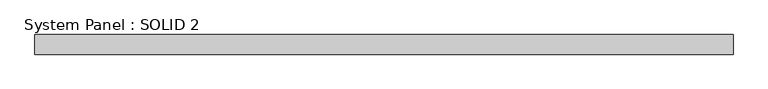
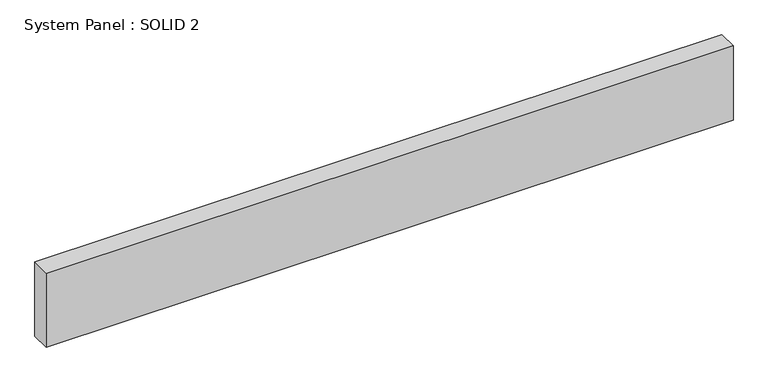
"""IFC4 building model written with IfcOpenShell, lengths in millimetres: plate geometry, System Panel : SOLID 2."""

import ifcopenshell
import ifcopenshell.guid

model = None  # the IFC model being written
_history = None  # IfcOwnerHistory: only IFC2X3 demands one
_inside = {}  # id of a spatial element -> (the spatial element, [elements in it])
_under = {}  # id of a project, library or spatial element -> (it, [spatial elements below it])
_declared = {}  # id of a project -> (the project, [libraries it declares])
_typed = {}  # id of a type object -> (the type object, [elements of that type])
_made_of = {}  # id of a material, layer set ... -> (it, [elements and type objects made of it])


def new_model(schema):
    """Start an empty IFC model of exactly this schema.

    Asked for "IFC4X3", IfcOpenShell would pick the latest addendum, in which some entities
    have other attributes; the version numbers below select the first issue.
    IFC2X3 requires an IfcOwnerHistory on every rooted entity: one is made here for all.
    """
    global model, _history
    if schema == "IFC4X3":
        model = ifcopenshell.file(schema_version=(4, 3, 0, 0))
    else:
        model = ifcopenshell.file(schema=schema)
    _inside.clear()
    _under.clear()
    _declared.clear()
    _typed.clear()
    _made_of.clear()
    _history = None
    if model.schema == "IFC2X3":
        org = make("IfcOrganization", Name="unknown")
        user = make(
            "IfcPersonAndOrganization",
            ThePerson=make("IfcPerson", FamilyName="unknown"),
            TheOrganization=org,
        )
        app = make(
            "IfcApplication",
            ApplicationDeveloper=org,
            Version="unknown",
            ApplicationFullName="unknown",
            ApplicationIdentifier="unknown",
        )
        _history = make(
            "IfcOwnerHistory",
            OwningUser=user,
            OwningApplication=app,
            ChangeAction="ADDED",
            CreationDate=0,
        )
    return model


def make(cls, **values):
    """One entity of the class cls with the attributes given. An attribute that is None is left unset."""
    return model.create_entity(
        cls, **{name: value for name, value in values.items() if value is not None}
    )


def rooted(cls, **values):
    """An entity with a GlobalId (a new one), such as an element, a storey or a relation."""
    return make(cls, GlobalId=ifcopenshell.guid.new(), OwnerHistory=_history, **values)


def si_unit(unit_type, name, prefix=None):
    """IfcSIUnit, for example si_unit("LENGTHUNIT", "METRE", prefix="MILLI")."""
    return make("IfcSIUnit", UnitType=unit_type, Prefix=prefix, Name=name)


def assignment(units):
    """IfcUnitAssignment: the units of a project."""
    return None if units is None else make("IfcUnitAssignment", Units=units)


def point(xyz):
    """IfcCartesianPoint."""
    return None if xyz is None else make("IfcCartesianPoint", Coordinates=xyz)


def direction(xyz):
    """IfcDirection."""
    return None if xyz is None else make("IfcDirection", DirectionRatios=xyz)


def frame(location, z_axis=None, x_axis=None):
    """IfcAxis2Placement3D, a coordinate frame: its origin and axes. An axis left out is left unset."""
    return make(
        "IfcAxis2Placement3D",
        Location=point(location),
        Axis=direction(z_axis),
        RefDirection=direction(x_axis),
    )


def origin():
    """The frame at (0, 0, 0) with its axes left unset."""
    return frame((0.0, 0.0, 0.0))


def origin_with_axes():
    """The frame at (0, 0, 0) with the z axis (0, 0, 1) and the x axis (1, 0, 0) written out."""
    return frame((0.0, 0.0, 0.0), z_axis=(0.0, 0.0, 1.0), x_axis=(1.0, 0.0, 0.0))


def place(relative_to, where):
    """IfcLocalPlacement: puts the frame where relative to a parent placement (None: the world)."""
    return make(
        "IfcLocalPlacement", PlacementRelTo=relative_to, RelativePlacement=where
    )


def context(
    kind, dimensions, precision=None, world=None, true_north=None, identifier=None
):
    """IfcGeometricRepresentationContext, for example the 3D "Model" context."""
    return make(
        "IfcGeometricRepresentationContext",
        ContextIdentifier=identifier,
        ContextType=kind,
        CoordinateSpaceDimension=dimensions,
        Precision=precision,
        WorldCoordinateSystem=world,
        TrueNorth=true_north,
    )


def project(units=None, contexts=None):
    """IfcProject with its units and contexts."""
    return rooted(
        "IfcProject",
        Name="project",
        RepresentationContexts=contexts,
        UnitsInContext=assignment(units),
    )


def spatial(cls, under=None, at=None, **own):
    """A site, building, storey or space (cls), placed at a placement, below another one or the project."""
    s = rooted(cls, ObjectPlacement=at, **own)
    if under is not None:
        _under.setdefault(under.id(), (under, []))[1].append(s)
    return s


def polyline(points):
    """IfcPolyline through the points."""
    return make("IfcPolyline", Points=[point(p) for p in points])


def outline(outer, holes=None, kind="AREA"):
    """IfcArbitraryClosedProfileDef: a profile drawn as a closed curve; with holes, ...WithVoids."""
    if holes is None:
        return make("IfcArbitraryClosedProfileDef", ProfileType=kind, OuterCurve=outer)
    return make(
        "IfcArbitraryProfileDefWithVoids",
        ProfileType=kind,
        OuterCurve=outer,
        InnerCurves=holes,
    )


def extrude(swept, where, along, depth):
    """IfcExtrudedAreaSolid: the profile swept, set in the frame where, extruded along a direction by depth."""
    return make(
        "IfcExtrudedAreaSolid",
        SweptArea=swept,
        Position=where,
        ExtrudedDirection=direction(along),
        Depth=depth,
    )


def shape(context_of_items, identifier, shape_type, items):
    """IfcShapeRepresentation: the items that make up one representation, for example the "Body"."""
    return make(
        "IfcShapeRepresentation",
        ContextOfItems=context_of_items,
        RepresentationIdentifier=identifier,
        RepresentationType=shape_type,
        Items=items,
    )


def source(mapping_origin, context_of_items, identifier, shape_type, items):
    """IfcRepresentationMap: a shape defined once, which mapped items show again and again."""
    return make(
        "IfcRepresentationMap",
        MappingOrigin=mapping_origin,
        MappedRepresentation=shape(context_of_items, identifier, shape_type, items),
    )


def transform(
    local_origin,
    x_axis=None,
    y_axis=None,
    z_axis=None,
    scale=None,
    scale2=None,
    scale3=None,
    uniform=True,
):
    """IfcCartesianTransformationOperator3D, or its non-uniform kind. x_axis, y_axis, z_axis: its Axis1, 2, 3."""
    if uniform:
        return make(
            "IfcCartesianTransformationOperator3D",
            Axis1=direction(x_axis),
            Axis2=direction(y_axis),
            LocalOrigin=point(local_origin),
            Scale=scale,
            Axis3=direction(z_axis),
        )
    return make(
        "IfcCartesianTransformationOperator3DnonUniform",
        Axis1=direction(x_axis),
        Axis2=direction(y_axis),
        LocalOrigin=point(local_origin),
        Scale=scale,
        Axis3=direction(z_axis),
        Scale2=scale2,
        Scale3=scale3,
    )


def mapped(mapping_source, mapping_target):
    """IfcMappedItem: shows the shape of a source again, moved by a transform."""
    return make(
        "IfcMappedItem", MappingSource=mapping_source, MappingTarget=mapping_target
    )


def made_of(thing, what):
    """Note that an element or type object is made of a material, layer set ...; save() writes the relation."""
    if what is not None:
        _made_of.setdefault(what.id(), (what, []))[1].append(thing)
    return thing


def element(
    cls,
    number,
    at=None,
    inside=None,
    cuts=None,
    type_object=None,
    material=None,
    context=None,
    identifier="Body",
    shape_type=None,
    held_by="IfcProductDefinitionShape",
    body=None,
    shapes=None,
    **own,
):
    """One element of the class cls, such as IfcWall. Its Tag is "e" and its number.

    at: its placement. inside: the storey or other place that contains it. cuts: it is an
    opening in that element (IfcRelVoidsElement). A single representation is given by context,
    identifier, shape_type and body (its items); several are given by shapes. held_by: the class
    of the entity that holds the representations. save() writes the other relations.
    """
    e = rooted(cls, Tag="e%d" % number, ObjectPlacement=at, **own)
    if body is not None:
        shapes = [shape(context, identifier, shape_type, body)]
    if shapes is not None:
        e.Representation = make(held_by, Representations=shapes)
    if inside is not None:
        _inside.setdefault(inside.id(), (inside, []))[1].append(e)
    if cuts is not None:
        rooted(
            "IfcRelVoidsElement", RelatingBuildingElement=cuts, RelatedOpeningElement=e
        )
    if type_object is not None:
        _typed.setdefault(type_object.id(), (type_object, []))[1].append(e)
    return made_of(e, material)


def aggregate(whole, parts):
    """IfcRelAggregates: a whole, such as a stair, and the parts it consists of."""
    return rooted("IfcRelAggregates", RelatingObject=whole, RelatedObjects=parts)


def save(model, path):
    """Write the relations noted so far, then the file.

    IfcRelAggregates (storeys below a building ...), IfcRelContainedInSpatialStructure (elements
    in a storey), IfcRelDefinesByType, IfcRelAssociatesMaterial and IfcRelDeclares: one each for
    every whole, place, type object, material and project.
    """
    for whole, parts in _under.values():
        aggregate(whole, parts)
    for where, things in _inside.values():
        rooted(
            "IfcRelContainedInSpatialStructure",
            RelatedElements=things,
            RelatingStructure=where,
        )
    for kind, things in _typed.values():
        rooted("IfcRelDefinesByType", RelatedObjects=things, RelatingType=kind)
    for what, things in _made_of.values():
        rooted("IfcRelAssociatesMaterial", RelatedObjects=things, RelatingMaterial=what)
    for by, libraries in _declared.values():
        rooted("IfcRelDeclares", RelatingContext=by, RelatedDefinitions=libraries)
    model.write(path)


def system_panel_solid_2_be48e6d3(model_context):
    return source(origin(), model_context, "Body", "SweptSolid", [
        extrude(outline(polyline([(1422.5, 80.0), (-1422.5, 80.0), (-1422.5, 160.0), (1422.5, 160.0), (1422.5, 80.0)])), origin_with_axes(), (0.0, 0.0, 1.0), 324.3333333),
    ])


if __name__ == "__main__":
    model = new_model("IFC4")
    model_context = context("Model", 3, world=origin())
    ifc_project = project(units=[si_unit("LENGTHUNIT", "METRE", prefix="MILLI")], contexts=[model_context])
    site = spatial("IfcSite", under=ifc_project)
    building = spatial("IfcBuilding", under=site)
    placement = place(None, origin())
    system_panel_solid_2_shape = system_panel_solid_2_be48e6d3(model_context)
    element("IfcPlate", 1, ObjectType="System Panel : SOLID 2", at=placement, inside=building, context=model_context, shape_type="MappedRepresentation", body=[
        mapped(system_panel_solid_2_shape, transform((0.0, 0.0, 0.0), x_axis=(1.0, 0.0, 0.0), y_axis=(0.0, 1.0, 0.0), z_axis=(0.0, 0.0, 1.0))),
    ])
    save(model, "model.ifc")
